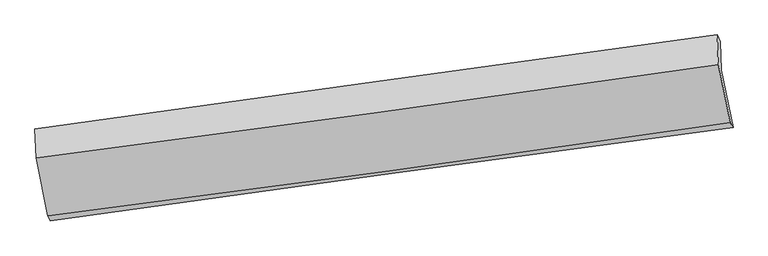
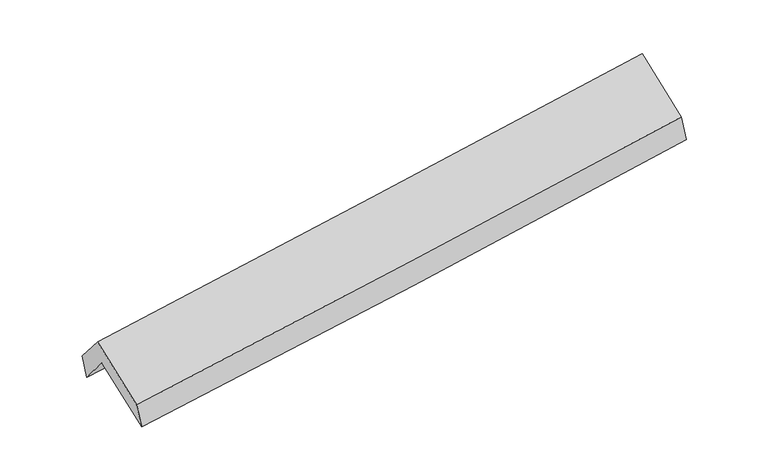
"""IFC4 building model written with IfcOpenShell, lengths in millimetres: proxy geometry."""

from ifc_helpers import new_model, si_unit, frame, origin, place, context, project, spatial, source, transform, mapped, element, save
from ifc_brep_helpers import plane_surface, spline_curve, spline_surface, advanced_brep


def generic_models_3c82cd1e(model_context):
    return source(origin(), model_context, "Body", "AdvancedBrep", [
        advanced_brep(
        [(-2924.4169588, -2508.8343131, 1448.5390911), (-3028.0287748, -1993.4713747, 1857.1731368), (2972.481379, -1181.4966076, 2353.5200938), (3078.1456478, -1689.1647674, 1929.8684434), (-3037.9082266, -1744.6559305, 1556.5497742), (2963.9107045, -931.9452863, 2035.7804343), (-3060.761809, -1700.8889236, 1765.5710975), (2937.5726425, -871.4346034, 2252.958863), (-3050.0748059, -1955.337654, 2065.7588119), (2948.5549719, -1132.5974833, 2561.0708847), (-2947.6467244, -2464.8127223, 1661.7932902), (3053.1669642, -1643.6741951, 2155.9409017)],
        [
            (0, 1),
            (1, 2, spline_curve(3, [(-3028.0287748, -1993.4713747, 1857.1731368), (-2026.945956098, -1854.684057089, 1923.666108867), (-1026.282536185, -1717.61534152, 1998.282714854), (973.887248372, -1446.958179294, 2163.736869308), (1973.393879812, -1313.368639216, 2254.569248726), (2972.481379, -1181.4966076, 2353.5200938)], [4, 2, 4], [0.0, 9.969935403592073, 19.93669857940534])),
            (2, 3),
            (3, 0, spline_curve(3, [(3078.1456478, -1689.1647674, 1929.8684434), (2078.846847917, -1820.059083469, 1828.18231685), (1079.063566248, -1953.800715496, 1737.233147601), (-921.790327513, -2227.022084722, 1576.783194205), (-1922.861247784, -2366.503634585, 1507.289245832), (-2924.4169588, -2508.8343131, 1448.5390911)], [4, 2, 4], [0.0, 9.966763175813268, 19.93669857940534])),
            (1, 4),
            (4, 5, spline_curve(3, [(-3037.9082266, -1744.6559305, 1556.5497742), (-2036.452176076, -1599.894365171, 1608.310936115), (-1035.493070614, -1459.777658495, 1674.135997484), (965.112923793, -1188.877065653, 1833.888498897), (1964.760128474, -1058.090224395, 1927.806991224), (2963.9107045, -931.9452863, 2035.7804343)], [4, 2, 4], [0.0, 9.96872087085534, 19.934269900371138])),
            (5, 2),
            (4, 6),
            (6, 7, spline_curve(3, [(-3060.761809, -1700.8889236, 1765.5710975), (-2060.550278183, -1561.350242768, 1840.460763012), (-1060.503799288, -1422.448812479, 1918.528210663), (938.940913044, -1145.964444331, 2080.992821381), (1938.339251322, -1008.381101472, 2165.387961868), (2937.5726425, -871.4346034, 2252.958863)], [4, 2, 4], [0.0, 9.968006603753548, 19.93284159343261])),
            (7, 5),
            (6, 8),
            (8, 9, spline_curve(3, [(-3050.0748059, -1955.337654, 2065.7588119), (-2049.449550714, -1825.58948695, 2152.199512976), (-1049.171624497, -1692.142224998, 2236.702128915), (950.371414008, -1417.893147943, 2401.804920355), (1949.636746688, -1277.093686525, 2482.406328473), (2948.5549719, -1132.5974833, 2561.0708847)], [4, 2, 4], [0.0, 9.967156089723792, 19.93114083598912])),
            (9, 7),
            (8, 10),
            (10, 11, spline_curve(3, [(-2947.6467244, -2464.8127223, 1661.7932902), (-1946.236248861, -2337.346522965, 1746.494273823), (-945.383724313, -2205.173575842, 1830.030100205), (1054.887150414, -1931.457739054, 1994.745229147), (2054.305855179, -1789.917843369, 2075.925273482), (3053.1669642, -1643.6741951, 2155.9409017)], [4, 2, 4], [0.0, 9.96878933728262, 19.934406811441097])),
            (11, 9),
            (10, 0),
            (3, 11),
        ],
        [
            spline_surface(3, 3, [[(-2924.4169588, -2508.8343131, 1448.5390911), (-1922.861247907, -2366.503634639, 1507.289245976), (-921.790327497, -2227.022084677, 1576.783194293), (1079.063566231, -1953.800715541, 1737.233147513), (2078.846848062, -1820.059083633, 1828.182316695), (3078.1456478, -1689.1647674, 1929.8684434)], [(-2958.95423079, -2337.046666973, 1584.750439638), (-1957.556150581, -2195.897108832, 1646.081533537), (-956.621063694, -2057.219836937, 1717.283034485), (1044.004793597, -1784.853203438, 1879.401054765), (2043.695858646, -1651.162268866, 1970.311294075), (3042.924224895, -1519.942047487, 2071.085660215)], [(-2993.49150281, -2165.259020827, 1720.961788262), (-1992.251053287, -2025.290583005, 1784.873821185), (-991.451799919, -1887.41758926, 1857.782874689), (1008.946020936, -1615.905691397, 2021.568962029), (2008.544869145, -1482.265454038, 2112.440271411), (3007.702801905, -1350.719327513, 2212.302876985)], [(-3028.0287748, -1993.4713747, 1857.1731368), (-2026.945955961, -1854.684057197, 1923.666108746), (-1026.282536116, -1717.615341521, 1998.282714881), (973.887248302, -1446.958179293, 2163.736869281), (1973.393879729, -1313.368639271, 2254.569248792), (2972.481379, -1181.4966076, 2353.5200938)]], [4, 4], [4, 2, 4], [0.0, 2.1983046423330945], [0.0, 9.969935403592073, 19.93669857940534]),
            spline_surface(3, 3, [[(-3028.0287748, -1993.4713747, 1857.1731368), (-2026.945955961, -1854.684057197, 1923.666108746), (-1026.282536116, -1717.615341521, 1998.282714881), (973.887248302, -1446.958179293, 2163.736869281), (1973.393879729, -1313.368639271, 2254.569248792), (2972.481379, -1181.4966076, 2353.5200938)], [(-3031.32192541, -1910.5328933, 1756.965349269), (-2030.114695978, -1769.7541599, 1818.547717904), (-1029.352714238, -1631.66944717, 1890.233809052), (970.962473432, -1360.931141433, 2053.787412533), (1970.515962665, -1228.275834337, 2145.648496265), (2969.624487488, -1098.312833819, 2247.606873971)], [(-3034.61507599, -1827.5944119, 1656.757561731), (-2033.283435964, -1684.824262603, 1713.429327057), (-1032.422892376, -1545.723552802, 1782.184903198), (968.037698547, -1274.904103556, 1943.837955759), (1967.638045637, -1143.183029448, 2036.727743724), (2966.767596012, -1015.129060081, 2141.693654129)], [(-3037.9082266, -1744.6559305, 1556.5497742), (-2036.452175981, -1599.894365306, 1608.310936215), (-1035.493070499, -1459.777658452, 1674.13599737), (965.112923678, -1188.877065696, 1833.888499011), (1964.760128573, -1058.090224514, 1927.806991196), (2963.9107045, -931.9452863, 2035.7804343)]], [4, 4], [4, 2, 4], [0.0, 1.3667787482509173], [0.0, 9.96872087085534, 19.934269900371138]),
            spline_surface(3, 3, [[(-3037.9082266, -1744.6559305, 1556.5497742), (-2036.452175981, -1599.894365306, 1608.310936215), (-1035.493070499, -1459.777658452, 1674.13599737), (965.112923678, -1188.877065696, 1833.888499011), (1964.760128573, -1058.090224514, 1927.806991196), (2963.9107045, -931.9452863, 2035.7804343)], [(-3045.526087402, -1730.066928198, 1626.223548643), (-2044.484876691, -1587.046324506, 1685.694211781), (-1043.829980064, -1447.334709764, 1755.600068521), (956.388920102, -1174.572858613, 1916.256606413), (1955.953169451, -1041.52051688, 2007.000648054), (2955.131350496, -911.775058683, 2108.173243867)], [(-3053.143948198, -1715.477925902, 1695.897323057), (-2052.517577396, -1574.19828371, 1763.077487318), (-1052.166889629, -1434.891761064, 1837.064139675), (947.664916526, -1160.268651517, 1998.624713816), (1947.14621034, -1024.950809197, 2086.194304911), (2946.351996504, -891.604831017, 2180.566053433)], [(-3060.761809, -1700.8889236, 1765.5710975), (-2060.550278106, -1561.35024291, 1840.460762884), (-1060.503799194, -1422.448812376, 1918.528210826), (938.94091295, -1145.964444434, 2080.992821218), (1938.339251219, -1008.381101562, 2165.387961768), (2937.5726425, -871.4346034, 2252.958863)]], [4, 4], [4, 2, 4], [0.0, 0.8212362960997306], [0.0, 9.968006603753548, 19.93284159343261]),
            spline_surface(3, 3, [[(-3060.761809, -1700.8889236, 1765.5710975), (-2060.550278106, -1561.35024291, 1840.460762884), (-1060.503799194, -1422.448812376, 1918.528210826), (938.94091295, -1145.964444434, 2080.992821218), (1938.339251219, -1008.381101562, 2165.387961768), (2937.5726425, -871.4346034, 2252.958863)], [(-3057.199474629, -1785.70516706, 1865.633668971), (-2056.850035679, -1649.429990962, 1944.373679625), (-1056.726407591, -1512.346616597, 2024.586183581), (942.751079931, -1236.607345586, 2187.93018756), (1942.10508306, -1097.951963156, 2271.060750688), (2941.23341898, -958.488896688, 2355.662870242)], [(-3053.637140271, -1870.52141054, 1965.696240429), (-2053.149793266, -1737.509739035, 2048.286596355), (-1052.949015986, -1602.244420823, 2130.644156303), (946.561246913, -1327.250246745, 2294.867553869), (1945.870914862, -1187.522824786, 2376.733539581), (2944.89419542, -1045.543190012, 2458.366877458)], [(-3050.0748059, -1955.337654, 2065.7588119), (-2049.449550839, -1825.589487087, 2152.199513096), (-1049.171624383, -1692.142225044, 2236.702129058), (950.371413894, -1417.893147898, 2401.804920211), (1949.636746703, -1277.093686379, 2482.4063285), (2948.5549719, -1132.5974833, 2561.0708847)]], [4, 4], [4, 2, 4], [0.0, 1.3746033413885272], [0.0, 9.967156089723792, 19.93114083598912]),
            spline_surface(3, 3, [[(-3050.0748059, -1955.337654, 2065.7588119), (-2049.449550839, -1825.589487087, 2152.199513096), (-1049.171624383, -1692.142225044, 2236.702129058), (950.371413894, -1417.893147898, 2401.804920211), (1949.636746703, -1277.093686379, 2482.4063285), (2948.5549719, -1132.5974833, 2561.0708847)], [(-3015.932112092, -2125.16267676, 1931.103637985), (-2015.045116876, -1996.175165726, 2016.964433338), (-1014.575657668, -1863.152675363, 2101.144786074), (985.209992703, -1589.081344898, 2266.11835657), (1984.526449523, -1448.035072088, 2346.9126435), (2983.425635999, -1302.956387228, 2426.027557031)], [(-2981.789418208, -2294.98769954, 1796.448464115), (-1980.640682836, -2166.760844385, 1881.729353625), (-979.979690944, -2034.163125681, 1965.58744307), (1020.048571521, -1760.269541895, 2130.431792908), (2019.416152348, -1618.976457813, 2211.418958508), (3018.296300101, -1473.315291172, 2290.984229369)], [(-2947.6467244, -2464.8127223, 1661.7932902), (-1946.236248873, -2337.346523024, 1746.494273867), (-945.383724228, -2205.173576, 1830.030100086), (1054.88715033, -1931.457738895, 1994.745229266), (2054.305855168, -1789.917843522, 2075.925273507), (3053.1669642, -1643.6741951, 2155.9409017)]], [4, 4], [4, 2, 4], [0.0, 2.1759218661871977], [0.0, 9.96878933728262, 19.934406811441097]),
            spline_surface(3, 3, [[(-2947.6467244, -2464.8127223, 1661.7932902), (-1946.236248873, -2337.346523024, 1746.494273867), (-945.383724228, -2205.173576, 1830.030100086), (1054.88715033, -1931.457738895, 1994.745229266), (2054.305855168, -1789.917843522, 2075.925273507), (3053.1669642, -1643.6741951, 2155.9409017)], [(-2939.903469178, -2479.486585909, 1590.708557194), (-1938.444581862, -2347.065560238, 1666.759264598), (-937.519258662, -2212.456412237, 1745.614464801), (1062.945955619, -1938.905397789, 1908.90786866), (2062.486186109, -1799.964923555, 1993.344287878), (3061.493192043, -1658.837719196, 2080.583415575)], [(-2932.160214022, -2494.160449491, 1519.623824106), (-1930.652914917, -2356.784597425, 1587.024255245), (-929.654793063, -2219.739248439, 1661.198829579), (1071.004760942, -1946.353056648, 1823.070508118), (2070.666517122, -1810.0120036, 1910.763302324), (3069.819419957, -1674.001243304, 2005.225929525)], [(-2924.4169588, -2508.8343131, 1448.5390911), (-1922.861247907, -2366.503634639, 1507.289245976), (-921.790327497, -2227.022084677, 1576.783194293), (1079.063566231, -1953.800715541, 1737.233147513), (2078.846848062, -1820.059083633, 1828.182316695), (3078.1456478, -1689.1647674, 1929.8684434)]], [4, 4], [4, 2, 4], [0.0, 0.8446301778425991], [0.0, 9.97070793552923, 19.93824339747593]),
            plane_surface(frame((2992.305385, -1241.7188238, 2214.8566035), z_axis=(0.9871466216323269, 0.13753743629934878, 0.08139410922226469), x_axis=(0.15838064860802312, -0.7737608215295585, -0.6133594062312931))),
            plane_surface(frame((-3008.1395499, -2061.3334864, 1725.8975336), z_axis=(-0.9875842019830355, -0.13541596779536944, -0.07962386363129159), x_axis=(-0.10607876214383671, 0.20102466506857958, 0.9738256416094705))),
        ],
        [
            (0, [[1, 2, 3, 4]]),
            (1, [[5, 6, 7, -2]]),
            (2, [[8, 9, 10, -6]]),
            (3, [[11, 12, 13, -9]]),
            (4, [[14, 15, 16, -12]]),
            (5, [[17, -4, 18, -15]]),
            (6, [[-16, -18, -3, -7, -10, -13]]),
            (7, [[-17, -14, -11, -8, -5, -1]]),
        ],
    ),
    ])


if __name__ == "__main__":
    model = new_model("IFC4")
    model_context = context("Model", 3, world=origin())
    ifc_project = project(units=[si_unit("LENGTHUNIT", "METRE", prefix="MILLI")], contexts=[model_context])
    site = spatial("IfcSite", under=ifc_project)
    building = spatial("IfcBuilding", under=site)
    placement = place(None, origin())
    generic_models_shape = generic_models_3c82cd1e(model_context)
    element("IfcBuildingElementProxy", 1, Name="Generic Models", at=placement, inside=building, context=model_context, shape_type="MappedRepresentation", body=[
        mapped(generic_models_shape, transform((0.0, 0.0, 0.0), x_axis=(1.0, 0.0, 0.0), y_axis=(0.0, 1.0, 0.0), z_axis=(0.0, 0.0, 1.0))),
    ])
    save(model, "model.ifc")
